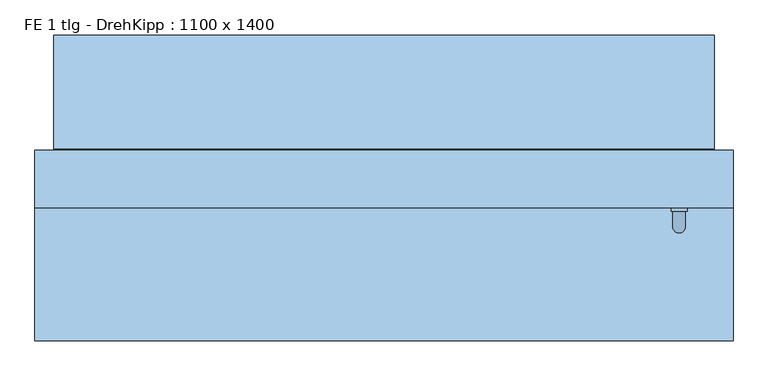
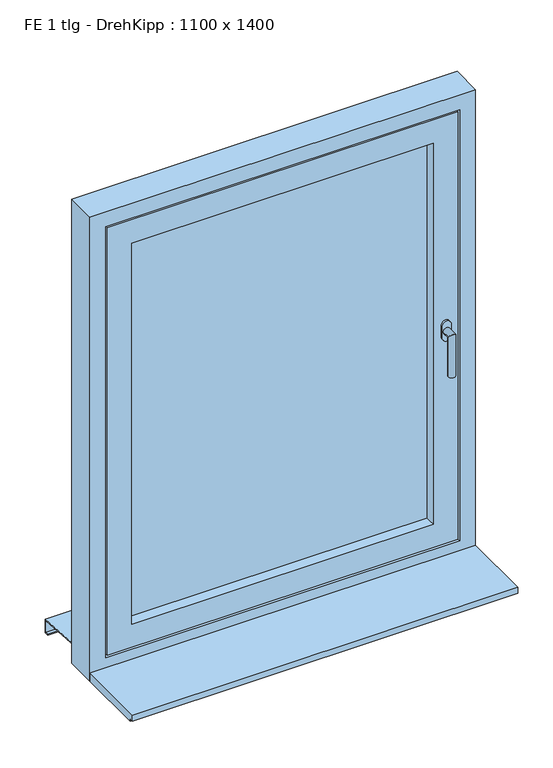
"""IFC4 building model written with IfcOpenShell, lengths in millimetres: window geometry, FE 1 tlg - DrehKipp : 1100 x 1400."""

import ifcopenshell
import ifcopenshell.guid

model = None  # the IFC model being written
_history = None  # IfcOwnerHistory: only IFC2X3 demands one
_inside = {}  # id of a spatial element -> (the spatial element, [elements in it])
_under = {}  # id of a project, library or spatial element -> (it, [spatial elements below it])
_declared = {}  # id of a project -> (the project, [libraries it declares])
_typed = {}  # id of a type object -> (the type object, [elements of that type])
_made_of = {}  # id of a material, layer set ... -> (it, [elements and type objects made of it])


def new_model(schema):
    """Start an empty IFC model of exactly this schema.

    Asked for "IFC4X3", IfcOpenShell would pick the latest addendum, in which some entities
    have other attributes; the version numbers below select the first issue.
    IFC2X3 requires an IfcOwnerHistory on every rooted entity: one is made here for all.
    """
    global model, _history
    if schema == "IFC4X3":
        model = ifcopenshell.file(schema_version=(4, 3, 0, 0))
    else:
        model = ifcopenshell.file(schema=schema)
    _inside.clear()
    _under.clear()
    _declared.clear()
    _typed.clear()
    _made_of.clear()
    _history = None
    if model.schema == "IFC2X3":
        org = make("IfcOrganization", Name="unknown")
        user = make(
            "IfcPersonAndOrganization",
            ThePerson=make("IfcPerson", FamilyName="unknown"),
            TheOrganization=org,
        )
        app = make(
            "IfcApplication",
            ApplicationDeveloper=org,
            Version="unknown",
            ApplicationFullName="unknown",
            ApplicationIdentifier="unknown",
        )
        _history = make(
            "IfcOwnerHistory",
            OwningUser=user,
            OwningApplication=app,
            ChangeAction="ADDED",
            CreationDate=0,
        )
    return model


def make(cls, **values):
    """One entity of the class cls with the attributes given. An attribute that is None is left unset."""
    return model.create_entity(
        cls, **{name: value for name, value in values.items() if value is not None}
    )


def rooted(cls, **values):
    """An entity with a GlobalId (a new one), such as an element, a storey or a relation."""
    return make(cls, GlobalId=ifcopenshell.guid.new(), OwnerHistory=_history, **values)


def si_unit(unit_type, name, prefix=None):
    """IfcSIUnit, for example si_unit("LENGTHUNIT", "METRE", prefix="MILLI")."""
    return make("IfcSIUnit", UnitType=unit_type, Prefix=prefix, Name=name)


def assignment(units):
    """IfcUnitAssignment: the units of a project."""
    return None if units is None else make("IfcUnitAssignment", Units=units)


def point(xyz):
    """IfcCartesianPoint."""
    return None if xyz is None else make("IfcCartesianPoint", Coordinates=xyz)


def direction(xyz):
    """IfcDirection."""
    return None if xyz is None else make("IfcDirection", DirectionRatios=xyz)


def frame(location, z_axis=None, x_axis=None):
    """IfcAxis2Placement3D, a coordinate frame: its origin and axes. An axis left out is left unset."""
    return make(
        "IfcAxis2Placement3D",
        Location=point(location),
        Axis=direction(z_axis),
        RefDirection=direction(x_axis),
    )


def origin():
    """The frame at (0, 0, 0) with its axes left unset."""
    return frame((0.0, 0.0, 0.0))


def place(relative_to, where):
    """IfcLocalPlacement: puts the frame where relative to a parent placement (None: the world)."""
    return make(
        "IfcLocalPlacement", PlacementRelTo=relative_to, RelativePlacement=where
    )


def context(
    kind, dimensions, precision=None, world=None, true_north=None, identifier=None
):
    """IfcGeometricRepresentationContext, for example the 3D "Model" context."""
    return make(
        "IfcGeometricRepresentationContext",
        ContextIdentifier=identifier,
        ContextType=kind,
        CoordinateSpaceDimension=dimensions,
        Precision=precision,
        WorldCoordinateSystem=world,
        TrueNorth=true_north,
    )


def project(units=None, contexts=None):
    """IfcProject with its units and contexts."""
    return rooted(
        "IfcProject",
        Name="project",
        RepresentationContexts=contexts,
        UnitsInContext=assignment(units),
    )


def spatial(cls, under=None, at=None, **own):
    """A site, building, storey or space (cls), placed at a placement, below another one or the project."""
    s = rooted(cls, ObjectPlacement=at, **own)
    if under is not None:
        _under.setdefault(under.id(), (under, []))[1].append(s)
    return s


def polyline(points):
    """IfcPolyline through the points."""
    return make("IfcPolyline", Points=[point(p) for p in points])


def circle_curve(where, radius):
    """IfcCircle in the frame where."""
    return make("IfcCircle", Position=where, Radius=radius)


def ellipse_curve(where, semi_axis1, semi_axis2):
    """IfcEllipse in the frame where."""
    return make(
        "IfcEllipse", Position=where, SemiAxis1=semi_axis1, SemiAxis2=semi_axis2
    )


def outline(outer, holes=None, kind="AREA"):
    """IfcArbitraryClosedProfileDef: a profile drawn as a closed curve; with holes, ...WithVoids."""
    if holes is None:
        return make("IfcArbitraryClosedProfileDef", ProfileType=kind, OuterCurve=outer)
    return make(
        "IfcArbitraryProfileDefWithVoids",
        ProfileType=kind,
        OuterCurve=outer,
        InnerCurves=holes,
    )


def extrude(swept, where, along, depth):
    """IfcExtrudedAreaSolid: the profile swept, set in the frame where, extruded along a direction by depth."""
    return make(
        "IfcExtrudedAreaSolid",
        SweptArea=swept,
        Position=where,
        ExtrudedDirection=direction(along),
        Depth=depth,
    )


def faces_of(points, faces, orient=None, outer=None):
    """IfcFace entities. A face is a list of loops; a loop is a list of indices into points, from 0.

    orient and outer hold one flag for each loop. By default every Orientation is true, the
    first loop of a face is its IfcFaceOuterBound and the others are IfcFaceBound.
    """
    made = []
    for i, loops in enumerate(faces):
        bounds = []
        for j, loop in enumerate(loops):
            is_outer = j == 0 if outer is None else outer[i][j]
            bounds.append(
                make(
                    "IfcFaceOuterBound" if is_outer else "IfcFaceBound",
                    Bound=make("IfcPolyLoop", Polygon=[points[k] for k in loop]),
                    Orientation=True if orient is None else orient[i][j],
                )
            )
        made.append(make("IfcFace", Bounds=bounds))
    return made


def faceted_brep(points, faces, orient=None, outer=None, voids=None):
    """IfcFacetedBrep: a solid bounded by flat faces; with voids (closed shells), ...WithVoids."""
    shared = [point(p) for p in points]
    hull = make("IfcClosedShell", CfsFaces=faces_of(shared, faces, orient, outer))
    if voids is None:
        return make("IfcFacetedBrep", Outer=hull)
    return make(
        "IfcFacetedBrepWithVoids",
        Outer=hull,
        Voids=[
            make(cls, CfsFaces=faces_of(shared, fs, o, b)) for cls, fs, o, b in voids
        ],
    )


def shape(context_of_items, identifier, shape_type, items):
    """IfcShapeRepresentation: the items that make up one representation, for example the "Body"."""
    return make(
        "IfcShapeRepresentation",
        ContextOfItems=context_of_items,
        RepresentationIdentifier=identifier,
        RepresentationType=shape_type,
        Items=items,
    )


def source(mapping_origin, context_of_items, identifier, shape_type, items):
    """IfcRepresentationMap: a shape defined once, which mapped items show again and again."""
    return make(
        "IfcRepresentationMap",
        MappingOrigin=mapping_origin,
        MappedRepresentation=shape(context_of_items, identifier, shape_type, items),
    )


def transform(
    local_origin,
    x_axis=None,
    y_axis=None,
    z_axis=None,
    scale=None,
    scale2=None,
    scale3=None,
    uniform=True,
):
    """IfcCartesianTransformationOperator3D, or its non-uniform kind. x_axis, y_axis, z_axis: its Axis1, 2, 3."""
    if uniform:
        return make(
            "IfcCartesianTransformationOperator3D",
            Axis1=direction(x_axis),
            Axis2=direction(y_axis),
            LocalOrigin=point(local_origin),
            Scale=scale,
            Axis3=direction(z_axis),
        )
    return make(
        "IfcCartesianTransformationOperator3DnonUniform",
        Axis1=direction(x_axis),
        Axis2=direction(y_axis),
        LocalOrigin=point(local_origin),
        Scale=scale,
        Axis3=direction(z_axis),
        Scale2=scale2,
        Scale3=scale3,
    )


def mapped(mapping_source, mapping_target):
    """IfcMappedItem: shows the shape of a source again, moved by a transform."""
    return make(
        "IfcMappedItem", MappingSource=mapping_source, MappingTarget=mapping_target
    )


def made_of(thing, what):
    """Note that an element or type object is made of a material, layer set ...; save() writes the relation."""
    if what is not None:
        _made_of.setdefault(what.id(), (what, []))[1].append(thing)
    return thing


def element(
    cls,
    number,
    at=None,
    inside=None,
    cuts=None,
    type_object=None,
    material=None,
    context=None,
    identifier="Body",
    shape_type=None,
    held_by="IfcProductDefinitionShape",
    body=None,
    shapes=None,
    **own,
):
    """One element of the class cls, such as IfcWall. Its Tag is "e" and its number.

    at: its placement. inside: the storey or other place that contains it. cuts: it is an
    opening in that element (IfcRelVoidsElement). A single representation is given by context,
    identifier, shape_type and body (its items); several are given by shapes. held_by: the class
    of the entity that holds the representations. save() writes the other relations.
    """
    e = rooted(cls, Tag="e%d" % number, ObjectPlacement=at, **own)
    if body is not None:
        shapes = [shape(context, identifier, shape_type, body)]
    if shapes is not None:
        e.Representation = make(held_by, Representations=shapes)
    if inside is not None:
        _inside.setdefault(inside.id(), (inside, []))[1].append(e)
    if cuts is not None:
        rooted(
            "IfcRelVoidsElement", RelatingBuildingElement=cuts, RelatedOpeningElement=e
        )
    if type_object is not None:
        _typed.setdefault(type_object.id(), (type_object, []))[1].append(e)
    return made_of(e, material)


def aggregate(whole, parts):
    """IfcRelAggregates: a whole, such as a stair, and the parts it consists of."""
    return rooted("IfcRelAggregates", RelatingObject=whole, RelatedObjects=parts)


def save(model, path):
    """Write the relations noted so far, then the file.

    IfcRelAggregates (storeys below a building ...), IfcRelContainedInSpatialStructure (elements
    in a storey), IfcRelDefinesByType, IfcRelAssociatesMaterial and IfcRelDeclares: one each for
    every whole, place, type object, material and project.
    """
    for whole, parts in _under.values():
        aggregate(whole, parts)
    for where, things in _inside.values():
        rooted(
            "IfcRelContainedInSpatialStructure",
            RelatedElements=things,
            RelatingStructure=where,
        )
    for kind, things in _typed.values():
        rooted("IfcRelDefinesByType", RelatedObjects=things, RelatingType=kind)
    for what, things in _made_of.values():
        rooted("IfcRelAssociatesMaterial", RelatedObjects=things, RelatingMaterial=what)
    for by, libraries in _declared.values():
        rooted("IfcRelDeclares", RelatingContext=by, RelatedDefinitions=libraries)
    model.write(path)


def plane_surface(at):
    """IfcPlane: the flat surface through the origin of the frame at, square to its z axis."""
    return make("IfcPlane", Position=at)


def cylinder_surface(at, radius):
    """IfcCylindricalSurface: all points at the distance radius from the z axis of the frame at."""
    return make("IfcCylindricalSurface", Position=at, Radius=radius)


def advanced_brep(points, edges, surfaces, faces):
    """IfcAdvancedBrep: a solid bounded by faces that lie on surfaces and meet in shared edges.

    An edge is (start, end): straight between two places in points (the first is 0);
    or (start, end, curve); or (start, end, curve, False) where it runs against its curve.
    A face is (place in surfaces, loops), or (place, loops, False) where it looks against
    its surface's normal. A loop lists edges by number (the first is 1), with a minus sign
    where the edge is run from its end to its start. The first loop is the outer one.
    """
    corners = [point(p) for p in points]
    vertices = [make("IfcVertexPoint", VertexGeometry=c) for c in corners]
    made = []
    for start, end, *more in edges:
        made.append(
            make(
                "IfcEdgeCurve",
                EdgeStart=vertices[start],
                EdgeEnd=vertices[end],
                EdgeGeometry=more[0] if more else make("IfcPolyline", Points=[corners[start], corners[end]]),
                SameSense=more[1] if len(more) > 1 else True,
            )
        )
    hull = []
    for where, loops, *sense in faces:
        bounds = []
        for j, loop in enumerate(loops):
            ring = [make("IfcOrientedEdge", EdgeElement=made[abs(k) - 1], Orientation=k > 0) for k in loop]
            bounds.append(
                make(
                    "IfcFaceOuterBound" if j == 0 else "IfcFaceBound",
                    Bound=make("IfcEdgeLoop", EdgeList=ring),
                    Orientation=True,
                )
            )
        hull.append(make("IfcAdvancedFace", Bounds=bounds, FaceSurface=surfaces[where], SameSense=sense[0] if sense else True))
    return make("IfcAdvancedBrep", Outer=make("IfcClosedShell", CfsFaces=hull))


def fe_1_tlg_drehkipp_1100_x_1400_f0c6e0a9(model_context):
    return source(origin(), model_context, "Body", "SolidModel", [
        advanced_brep(
        [(452.5, -20.0, 1572.5), (477.5, -20.0, 1572.5), (477.5, -20.0, 1555.0), (477.5, -20.0, 1537.5), (452.5, -20.0, 1537.5), (452.5, -20.0, 1555.0), (475.0, -50.0, 1555.0), (475.0, -26.0, 1555.0), (455.0, -26.0, 1555.0), (455.0, -50.0, 1555.0), (475.0, -50.0, 1435.0), (455.0, -50.0, 1435.0), (452.5, -26.0, 1572.5), (452.5, -26.0, 1555.0), (452.5, -26.0, 1537.5), (477.5, -26.0, 1537.5), (477.5, -26.0, 1555.0), (477.5, -26.0, 1572.5)],
        [
            (0, 1, circle_curve(frame((465.0, -20.0, 1572.5), z_axis=(0.0, 1.0, 0.0), x_axis=(-1.0, 0.0, 0.0)), 12.5)),
            (1, 2),
            (2, 3),
            (3, 4, circle_curve(frame((465.0, -20.0, 1537.5), z_axis=(0.0, 1.0, 0.0), x_axis=(-1.0, 0.0, 0.0)), 12.5)),
            (4, 5),
            (5, 0),
            (6, 7),
            (7, 8, circle_curve(frame((465.0, -26.0, 1555.0), z_axis=(0.0, -1.0, 0.0), x_axis=(-1.0, 0.0, 0.0)), 10.0)),
            (8, 9),
            (9, 6, ellipse_curve(frame((465.0, -50.0, 1555.0), z_axis=(0.0, 0.7071067811865498, 0.7071067811865451), x_axis=(0.0, 0.7071067811865452, -0.7071067811865497)), 14.1421356, 10.0)),
            (8, 7, circle_curve(frame((465.0, -26.0, 1555.0), z_axis=(0.0, -1.0, 0.0), x_axis=(-1.0, 0.0, 0.0)), 10.0)),
            (6, 9, ellipse_curve(frame((465.0, -50.0, 1555.0), z_axis=(0.0, 0.7071067811865498, 0.7071067811865451), x_axis=(0.0, 0.7071067811865452, -0.7071067811865497)), 14.1421356, 10.0)),
            (10, 11, circle_curve(frame((465.0, -50.0, 1435.0), z_axis=(0.0, 0.0, -1.0), x_axis=(-1.0, 0.0, 0.0)), 10.0)),
            (11, 10, circle_curve(frame((465.0, -50.0, 1435.0), z_axis=(0.0, 0.0, -1.0), x_axis=(-1.0, 0.0, 0.0)), 10.0)),
            (9, 11),
            (10, 6),
            (12, 13),
            (13, 14),
            (14, 15, circle_curve(frame((465.0, -26.0, 1537.5), z_axis=(0.0, -1.0, 0.0), x_axis=(-1.0, 0.0, 0.0)), 12.5)),
            (15, 16),
            (16, 17),
            (17, 12, circle_curve(frame((465.0, -26.0, 1572.5), z_axis=(0.0, -1.0, 0.0), x_axis=(-1.0, 0.0, 0.0)), 12.5)),
            (17, 1),
            (0, 12),
            (16, 2),
            (15, 3),
            (14, 4),
            (13, 5),
        ],
        [
            plane_surface(frame((465.0, -20.0, 1555.0), z_axis=(0.0, 1.0, 0.0), x_axis=(-1.0, 0.0, 0.0))),
            cylinder_surface(frame((465.0, -20.0, 1555.0), z_axis=(0.0, 1.0, 0.0), x_axis=(-1.0, 0.0, 0.0)), 10.0),
            plane_surface(frame((465.0, -50.0, 1435.0), z_axis=(0.0, 0.0, -1.0), x_axis=(-1.0, 0.0, 0.0))),
            cylinder_surface(frame((465.0, -50.0, 1555.0), z_axis=(0.0, 0.0, 1.0), x_axis=(-1.0, 0.0, 0.0)), 10.0),
            plane_surface(frame((452.5, -26.0, 1572.5), z_axis=(0.0, -1.0, 0.0), x_axis=(0.0, 0.0, 1.0))),
            cylinder_surface(frame((465.0, -20.0, 1572.5), z_axis=(0.0, -1.0, 0.0), x_axis=(-1.0, 0.0, 0.0)), 12.5),
            plane_surface(frame((477.5, -26.0, 1572.5), z_axis=(1.0, 0.0, 0.0), x_axis=(0.0, 1.0, 0.0))),
            plane_surface(frame((477.5, -26.0, 1555.0), z_axis=(1.0, 0.0, 0.0), x_axis=(0.0, 1.0, 0.0))),
            cylinder_surface(frame((465.0, -20.0, 1537.5), z_axis=(0.0, -1.0, 0.0), x_axis=(-1.0, 0.0, 0.0)), 12.5),
            plane_surface(frame((452.5, -26.0, 1537.5), z_axis=(-1.0, 0.0, 0.0), x_axis=(0.0, 1.0, 0.0))),
            plane_surface(frame((452.5, -26.0, 1555.0), z_axis=(-1.0, 0.0, 0.0), x_axis=(0.0, 1.0, 0.0))),
        ],
        [
            (0, [[1, 2, 3, 4, 5, 6]]),
            (1, [[7, 8, 9, 10]]),
            (1, [[-9, 11, -7, 12]]),
            (2, [[13, 14]]),
            (3, [[15, -13, 16, -10]]),
            (3, [[-16, -14, -15, -12]]),
            (4, [[17, 18, 19, 20, 21, 22], [-11, -8]]),
            (5, [[23, -1, 24, -22]]),
            (6, [[25, -2, -23, -21]]),
            (7, [[26, -3, -25, -20]]),
            (8, [[27, -4, -26, -19]]),
            (9, [[28, -5, -27, -18]]),
            (10, [[-24, -6, -28, -17]]),
        ],
    ),
        faceted_brep([(-430.0, -20.0, 2130.0), (-430.0, -20.0, 980.0), (-430.0, 70.0, 980.0), (-430.0, 70.0, 2130.0), (-460.0, 70.0, 950.0), (-460.0, 70.0, 2160.0), (460.0, 70.0, 2160.0), (460.0, 70.0, 950.0), (430.0, 70.0, 980.0), (430.0, 70.0, 2130.0), (430.0, -20.0, 980.0), (-500.0, -20.0, 2200.0), (-500.0, -20.0, 910.0), (500.0, -20.0, 910.0), (500.0, -20.0, 2200.0), (430.0, -20.0, 2130.0), (-500.0, -5.0, 2200.0), (-500.0, -5.0, 910.0), (500.0, -5.0, 910.0), (500.0, -5.0, 2200.0), (-485.0, -5.0, 2185.0), (-485.0, -5.0, 925.0), (485.0, -5.0, 925.0), (485.0, -5.0, 2185.0), (-485.0, 25.0, 2185.0), (-485.0, 25.0, 925.0), (485.0, 25.0, 925.0), (485.0, 25.0, 2185.0), (-475.0, 25.0, 2175.0), (-475.0, 25.0, 935.0), (475.0, 25.0, 935.0), (475.0, 25.0, 2175.0), (-475.0, 55.0, 2175.0), (-475.0, 55.0, 935.0), (475.0, 55.0, 935.0), (475.0, 55.0, 2175.0), (-460.0, 55.0, 2160.0), (-460.0, 55.0, 950.0), (460.0, 55.0, 950.0), (460.0, 55.0, 2160.0)], [[[0, 1, 2, 3]], [[4, 5, 6, 7], [3, 2, 8, 9]], [[1, 10, 8, 2]], [[11, 12, 13, 14], [1, 0, 15, 10]], [[16, 17, 12, 11]], [[17, 18, 13, 12]], [[17, 16, 19, 18], [20, 21, 22, 23]], [[24, 25, 21, 20]], [[25, 26, 22, 21]], [[25, 24, 27, 26], [28, 29, 30, 31]], [[32, 33, 29, 28]], [[33, 34, 30, 29]], [[33, 32, 35, 34], [36, 37, 38, 39]], [[5, 4, 37, 36]], [[4, 7, 38, 37]], [[10, 15, 9, 8]], [[18, 19, 14, 13]], [[26, 27, 23, 22]], [[34, 35, 31, 30]], [[7, 6, 39, 38]], [[15, 0, 3, 9]], [[19, 16, 11, 14]], [[27, 24, 20, 23]], [[35, 32, 28, 31]], [[6, 5, 36, 39]]]),
        extrude(outline(polyline([(-430.0, 55.0), (430.0, 55.0), (430.0, 11.0), (-430.0, 11.0), (-430.0, 55.0)])), frame((0.0, 0.0, 980.0), z_axis=(0.0, 0.0, 1.0), x_axis=(1.0, 0.0, 0.0)), (0.0, 0.0, 1.0), 1150.0),
        faceted_brep([(-520.0, 252.0, 860.6252434), (-520.0, 230.0, 862.0002434), (-520.0, 72.0, 871.8752434), (520.0, 72.0, 871.8752434), (520.0, 230.0, 862.0002434), (520.0, 252.0, 860.6252434), (-520.0, 252.0, 820.6252434), (520.0, 252.0, 820.6252434), (-520.0, 240.0, 820.6252434), (520.0, 240.0, 820.6252434), (-520.0, 240.0, 822.6252434), (520.0, 240.0, 822.6252434), (-520.0, 250.0, 822.6252434), (520.0, 250.0, 822.6252434), (-520.0, 250.0, 858.75), (520.0, 250.0, 858.75), (-520.0, 230.0, 860.0), (520.0, 230.0, 860.0), (520.0, 70.0, 870.0), (-520.0, 70.0, 870.0), (-520.0, 70.0, 890.0), (520.0, 70.0, 890.0), (-520.0, 72.0, 890.0), (520.0, 72.0, 890.0)], [[[0, 1, 2, 3, 4, 5]], [[6, 0, 5, 7]], [[8, 6, 7, 9]], [[10, 8, 9, 11]], [[12, 10, 11, 13]], [[14, 12, 13, 15]], [[16, 14, 15, 17, 18, 19]], [[20, 19, 18, 21]], [[22, 20, 21, 23]], [[2, 22, 23, 3]], [[16, 1, 0, 6, 8, 10, 12, 14]], [[17, 4, 3, 23, 21, 18]], [[1, 16, 19, 20, 22, 2]], [[4, 17, 15, 13, 11, 9, 7, 5]]]),
        faceted_brep([(550.0, 70.0, 850.0), (550.0, -20.0, 850.0), (-550.0, -20.0, 850.0), (-550.0, 70.0, 850.0), (550.0, 70.0, 2250.0), (550.0, -20.0, 2250.0), (-550.0, -20.0, 2250.0), (505.0, -20.0, 2205.0), (505.0, -20.0, 905.0), (-505.0, -20.0, 905.0), (-505.0, -20.0, 2205.0), (-550.0, 70.0, 2250.0), (465.0, 70.0, 945.0), (465.0, 70.0, 2165.0), (-465.0, 70.0, 2165.0), (-465.0, 70.0, 945.0), (465.0, 55.0, 945.0), (465.0, 55.0, 2165.0), (-465.0, 55.0, 945.0), (-465.0, 55.0, 2165.0), (505.0, -5.0, 2205.0), (505.0, -5.0, 905.0), (-505.0, -5.0, 905.0), (-505.0, -5.0, 2205.0), (490.0, -5.0, 2190.0), (490.0, -5.0, 920.0), (-490.0, -5.0, 920.0), (-490.0, -5.0, 2190.0), (490.0, 25.0, 920.0), (490.0, 25.0, 2190.0), (-490.0, 25.0, 2190.0), (-490.0, 25.0, 920.0), (480.0, 25.0, 2180.0), (480.0, 25.0, 930.0), (-480.0, 25.0, 930.0), (-480.0, 25.0, 2180.0), (480.0, 55.0, 930.0), (480.0, 55.0, 2180.0), (-480.0, 55.0, 2180.0), (-480.0, 55.0, 930.0)], [[[0, 1, 2, 3]], [[4, 5, 1, 0]], [[5, 6, 2, 1], [7, 8, 9, 10]], [[6, 11, 3, 2]], [[11, 4, 0, 3], [12, 13, 14, 15]], [[12, 16, 17, 13]], [[18, 15, 14, 19]], [[16, 12, 15, 18]], [[20, 21, 8, 7]], [[8, 21, 22, 9]], [[9, 22, 23, 10]], [[21, 20, 23, 22], [24, 25, 26, 27]], [[28, 29, 30, 31], [32, 33, 34, 35]], [[29, 28, 25, 24]], [[25, 28, 31, 26]], [[36, 37, 38, 39], [17, 16, 18, 19]], [[37, 36, 33, 32]], [[33, 36, 39, 34]], [[26, 31, 30, 27]], [[34, 39, 38, 35]], [[4, 11, 6, 5]], [[20, 7, 10, 23]], [[29, 24, 27, 30]], [[37, 32, 35, 38]], [[13, 17, 19, 14]]]),
        extrude(outline(polyline([(-230.0, 875.0), (-20.0, 875.0), (-20.0, 850.0), (-220.0, 850.0), (-220.0, 857.0), (-230.0, 857.0), (-230.0, 875.0)])), frame((-550.0, 0.0, 0.0), z_axis=(1.0, 0.0, 0.0), x_axis=(0.0, 1.0, 0.0)), (0.0, 0.0, 1.0), 1100.0),
    ])


if __name__ == "__main__":
    model = new_model("IFC4")
    model_context = context("Model", 3, world=origin())
    ifc_project = project(units=[si_unit("LENGTHUNIT", "METRE", prefix="MILLI")], contexts=[model_context])
    site = spatial("IfcSite", under=ifc_project)
    building = spatial("IfcBuilding", under=site)
    placement = place(None, origin())
    fe_1_tlg_drehkipp_1100_x_1400_shape = fe_1_tlg_drehkipp_1100_x_1400_f0c6e0a9(model_context)
    element("IfcWindow", 1, ObjectType="FE 1 tlg - DrehKipp : 1100 x 1400", at=placement, inside=building, context=model_context, shape_type="MappedRepresentation", body=[
        mapped(fe_1_tlg_drehkipp_1100_x_1400_shape, transform((0.0, 0.0, 0.0), x_axis=(1.0, 0.0, 0.0), y_axis=(0.0, 1.0, 0.0), z_axis=(0.0, 0.0, 1.0))),
    ])
    save(model, "model.ifc")
